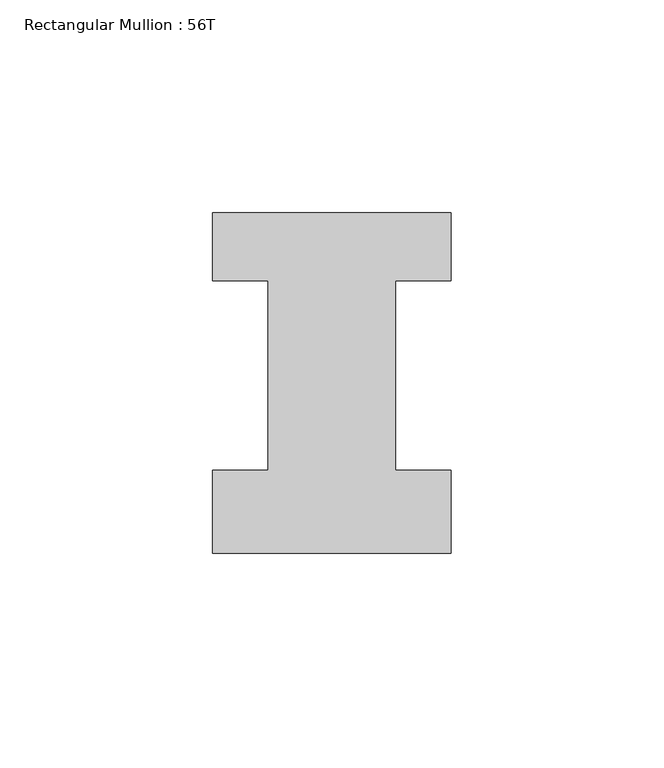
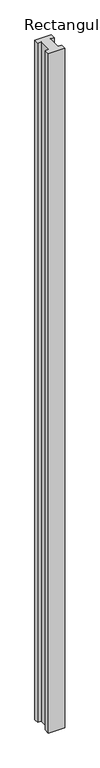
"""IFC4 building model written with IfcOpenShell, lengths in millimetres: member geometry, Rectangular Mullion : 56T."""

from ifc_helpers import new_model, si_unit, frame, origin, place, context, project, spatial, polyline, outline, extrude, source, transform, mapped, element, save


def rectangular_mullion_56t_f634297f(model_context):
    return source(origin(), model_context, "Body", "SweptSolid", [
        extrude(outline(polyline([(28.0, -20.0), (-28.0, -20.0), (-28.0, -0.5), (-15.0, -0.5), (-15.0, 44.0), (-28.0, 44.0), (-28.0, 60.0), (28.0, 60.0), (28.0, 44.0), (15.0, 44.0), (15.0, -0.5), (28.0, -0.5), (28.0, -20.0)])), frame((0.0, 0.0, -2444.0), z_axis=(0.0, 0.0, 1.0), x_axis=(1.0, 0.0, 0.0)), (0.0, 0.0, 1.0), 2444.0),
    ])


if __name__ == "__main__":
    model = new_model("IFC4")
    model_context = context("Model", 3, world=origin())
    ifc_project = project(units=[si_unit("LENGTHUNIT", "METRE", prefix="MILLI")], contexts=[model_context])
    site = spatial("IfcSite", under=ifc_project)
    building = spatial("IfcBuilding", under=site)
    placement = place(None, origin())
    rectangular_mullion_56t_shape = rectangular_mullion_56t_f634297f(model_context)
    element("IfcMember", 1, ObjectType="Rectangular Mullion : 56T", at=placement, inside=building, context=model_context, shape_type="MappedRepresentation", body=[
        mapped(rectangular_mullion_56t_shape, transform((0.0, 0.0, 0.0), x_axis=(1.0, 0.0, 0.0), y_axis=(0.0, 1.0, 0.0), z_axis=(0.0, 0.0, 1.0))),
    ])
    save(model, "model.ifc")
